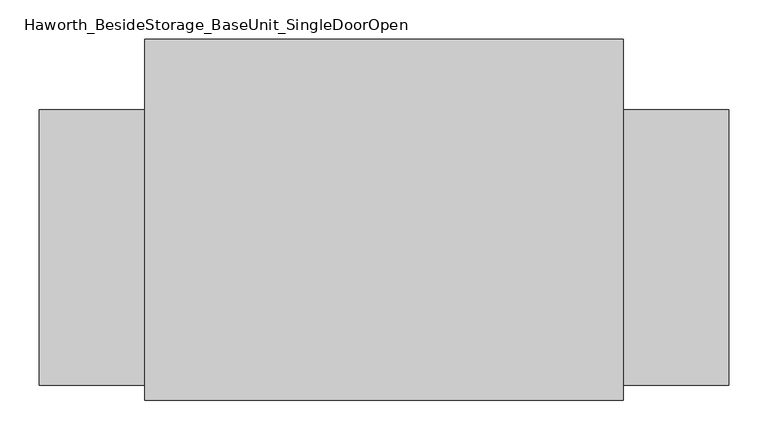
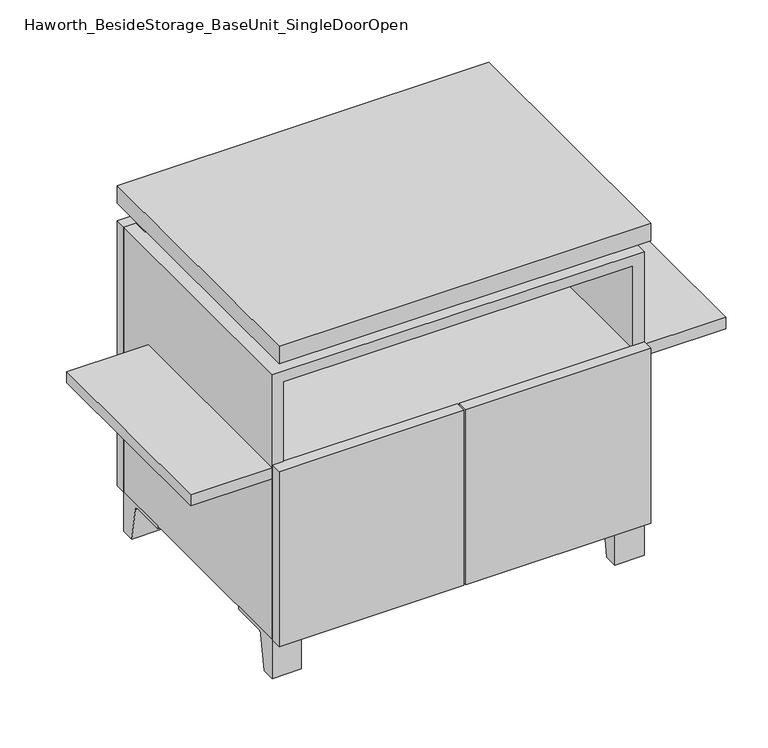
"""IFC4 building model written with IfcOpenShell, lengths in millimetres: furniture geometry, Haworth_BesideStorage_BaseUnit_SingleDoorOpen."""

from ifc_helpers import new_model, si_unit, point, frame, frame_2d, origin, place, context, project, spatial, polyline, circle_curve, trimmed, segment, composite_curve, outline, extrude, faceted_brep, source, transform, mapped, element, save


def haworth_besidestorage_baseunit_singledooropen_2ce5e8a2(model_context):
    return source(origin(), model_context, "Body", "SolidModel", [
        extrude(outline(composite_curve([segment(polyline([(-123.2958469, 0.0), (-146.05, 0.0), (-146.05, 66.675), (-50.8, 66.675), (-50.8, 61.8963321), (-107.6005345, 61.8963321)]), True, "CONTINUOUS"), segment(trimmed(circle_curve(frame_2d((-107.6005345, 55.5463321)), 6.35), [point((-107.6005345, 61.8963321))], [point((-113.8641359, 56.5902656))], True, "CARTESIAN"), True, "CONTINUOUS"), segment(polyline([(-113.8641359, 56.5902656), (-123.2958469, 0.0)]), True, "CONTINUOUS")], self_intersect=False)), frame((255.6013906, 0.0, 0.0), z_axis=(1.0, 0.0, 0.0), x_axis=(0.0, 1.0, 0.0)), (0.0, 0.0, 1.0), 47.625),
        extrude(outline(composite_curve([segment(polyline([(250.2958469, 0.0), (240.8641359, 56.5902656)]), True, "CONTINUOUS"), segment(trimmed(circle_curve(frame_2d((234.6005345, 55.5463321)), 6.35), [point((240.8641359, 56.5902656))], [point((234.6005345, 61.8963321))], True, "CARTESIAN"), True, "CONTINUOUS"), segment(polyline([(234.6005345, 61.8963321), (177.8, 61.8963321), (177.8, 66.675), (273.05, 66.675), (273.05, 0.0), (250.2958469, 0.0)]), True, "CONTINUOUS")], self_intersect=False)), frame((255.6013906, 0.0, 0.0), z_axis=(1.0, 0.0, 0.0), x_axis=(0.0, 1.0, 0.0)), (0.0, 0.0, 1.0), 47.625),
        extrude(outline(composite_curve([segment(polyline([(-123.2958469, 0.0), (-146.05, 0.0), (-146.05, 66.675), (-50.8, 66.675), (-50.8, 61.8963321), (-107.6005345, 61.8963321)]), True, "CONTINUOUS"), segment(trimmed(circle_curve(frame_2d((-107.6005345, 55.5463321)), 6.35), [point((-107.6005345, 61.8963321))], [point((-113.8641359, 56.5902656))], True, "CARTESIAN"), True, "CONTINUOUS"), segment(polyline([(-113.8641359, 56.5902656), (-123.2958469, 0.0)]), True, "CONTINUOUS")], self_intersect=False)), frame((-303.1986094, 0.0, 0.0), z_axis=(1.0, 0.0, 0.0), x_axis=(0.0, 1.0, 0.0)), (0.0, 0.0, 1.0), 47.625),
        extrude(outline(composite_curve([segment(polyline([(250.2958469, 0.0), (240.8641359, 56.5902656)]), True, "CONTINUOUS"), segment(trimmed(circle_curve(frame_2d((234.6005345, 55.5463321)), 6.35), [point((240.8641359, 56.5902656))], [point((234.6005345, 61.8963321))], True, "CARTESIAN"), True, "CONTINUOUS"), segment(polyline([(234.6005345, 61.8963321), (177.8, 61.8963321), (177.8, 66.675), (273.05, 66.675), (273.05, 0.0), (250.2958469, 0.0)]), True, "CONTINUOUS")], self_intersect=False)), frame((-303.1986094, 0.0, 0.0), z_axis=(1.0, 0.0, 0.0), x_axis=(0.0, 1.0, 0.0)), (0.0, 0.0, 1.0), 47.625),
        faceted_brep([(-303.1986094, -146.05, 66.675), (303.2125, -146.05, 66.675), (303.2125, -146.05, 523.875), (-303.1986094, -146.05, 523.875), (-284.1486094, -146.05, 85.725), (-284.1486094, -146.05, 504.825), (284.1694453, -146.05, 504.825), (284.1486094, -146.05, 85.725), (-303.1986094, 273.05, 66.675), (-303.1986094, 273.05, 523.875), (-284.1486094, 273.05, 523.875), (-284.1486094, 273.05, 85.725), (284.1486094, 273.05, 85.725), (284.1486094, 273.05, 523.875), (303.2125, 273.05, 523.875), (303.2125, 273.05, 66.675), (284.1486094, 247.65, 523.875), (-284.1416641, 247.65, 523.875), (-284.1486094, 247.65, 504.825), (284.1486094, 247.65, 504.825)], [[[0, 1, 2, 3], [4, 5, 6, 7]], [[8, 9, 10, 11, 12, 13, 14, 15]], [[1, 0, 8, 15]], [[2, 1, 15, 14]], [[3, 2, 14, 13, 16, 17, 10, 9]], [[0, 3, 9, 8]], [[11, 10, 17, 18, 5, 4]], [[13, 12, 7, 6, 19, 16]], [[4, 7, 12, 11]], [[6, 5, 18, 19]], [[17, 16, 19, 18]]]),
        extrude(outline(polyline([(303.2263906, -165.1), (-303.1986094, -165.1), (-303.1986094, 292.1), (303.2263906, 292.1), (303.2263906, -165.1)])), frame((0.0, 0.0, 554.0375), z_axis=(0.0, 0.0, 1.0), x_axis=(1.0, 0.0, 0.0)), (0.0, 0.0, 1.0), 30.1625),
        faceted_brep([(7.9513906, -69.85, 554.0375), (7.9513906, -69.85, 523.875), (7.9513906, 53.975, 523.875), (7.9513906, 53.975, 554.0375), (7.9513906, 196.85, 523.875), (7.9513906, 196.85, 554.0375), (7.9513906, 73.025, 554.0375), (7.9513906, 73.025, 523.875), (-7.9236094, 196.85, 554.0375), (-7.9236094, 196.85, 523.875), (-7.9236094, 73.025, 523.875), (-7.9236094, 73.025, 554.0375), (-7.9236094, -69.85, 523.875), (-7.9236094, -69.85, 554.0375), (-7.9236094, 53.975, 554.0375), (-7.9236094, 53.975, 523.875), (-261.8958281, 73.025, 554.0375), (-261.9166641, 247.65, 554.0375), (-277.7916641, 247.65, 554.0375), (-277.7916641, -120.65, 554.0375), (-261.9166641, -120.65, 554.0375), (-261.9166641, 53.975, 554.0375), (261.9236094, 53.975, 554.0375), (261.9236094, -120.65, 554.0375), (277.7986094, -120.65, 554.0375), (277.7986094, 247.65, 554.0375), (261.9236094, 247.65, 554.0375), (261.9236094, 73.025, 554.0375), (-261.8958281, 53.975, 523.875), (-261.9166641, -120.65, 523.875), (-277.7916641, -120.65, 523.875), (-277.7916641, 247.65, 523.875), (-261.9166641, 247.65, 523.875), (-261.9166641, 73.025, 523.875), (261.9236094, 73.025, 523.875), (261.9236094, 247.65, 523.875), (277.7986094, 247.65, 523.875), (277.7986094, -120.65, 523.875), (261.9236094, -120.65, 523.875), (261.9236094, 53.975, 523.875)], [[[0, 1, 2, 3]], [[4, 5, 6, 7]], [[8, 9, 10, 11]], [[12, 13, 14, 15]], [[5, 8, 11, 16, 17, 18, 19, 20, 21, 14, 13, 0, 3, 22, 23, 24, 25, 26, 27, 6]], [[1, 12, 15, 28, 29, 30, 31, 32, 33, 10, 9, 4, 7, 34, 35, 36, 37, 38, 39, 2]], [[5, 4, 9, 8]], [[1, 0, 13, 12]], [[6, 27, 34, 7]], [[22, 3, 2, 39]], [[20, 29, 28, 21]], [[32, 17, 16, 33]], [[18, 31, 30, 19]], [[29, 20, 19, 30]], [[17, 32, 31, 18]], [[26, 35, 34, 27]], [[38, 23, 22, 39]], [[25, 24, 37, 36]], [[23, 38, 37, 24]], [[35, 26, 25, 36]], [[16, 11, 10, 33]], [[14, 21, 28, 15]]]),
        extrude(outline(polyline([(303.2263906, 273.05), (-303.1986094, 273.05), (-303.1986094, 292.1), (303.2263906, 292.1), (303.2263906, 273.05)])), frame((0.0, 0.0, 66.675), z_axis=(0.0, 0.0, 1.0), x_axis=(1.0, 0.0, 0.0)), (0.0, 0.0, 1.0), 457.2),
        extrude(outline(polyline([(-284.1416641, 203.2), (-284.1416641, 209.55), (284.1694453, 209.55), (284.1694453, 203.2), (-284.1416641, 203.2)])), frame((0.0, 0.0, 85.725), z_axis=(0.0, 0.0, 1.0), x_axis=(1.0, 0.0, 0.0)), (0.0, 0.0, 1.0), 419.1),
        extrude(outline(polyline([(1.6013906, -165.1), (1.6013906, -146.05), (303.2263906, -146.05), (303.2263906, -165.1), (1.6013906, -165.1)])), frame((0.0, 0.0, 66.675), z_axis=(0.0, 0.0, 1.0), x_axis=(1.0, 0.0, 0.0)), (0.0, 0.0, 1.0), 301.625),
        extrude(outline(polyline([(-1.5736094, -165.1), (-303.1986094, -165.1), (-303.1986094, -146.05), (-1.5736094, -146.05), (-1.5736094, -165.1)])), frame((0.0, 0.0, 66.675), z_axis=(0.0, 0.0, 1.0), x_axis=(1.0, 0.0, 0.0)), (0.0, 0.0, 1.0), 301.625),
        extrude(outline(polyline([(436.5486094, 203.2), (436.5486094, -146.05), (-436.5486094, -146.05), (-436.5486094, 203.2), (436.5486094, 203.2)])), frame((0.0, 0.0, 344.4875), z_axis=(0.0, 0.0, 1.0), x_axis=(1.0, 0.0, 0.0)), (0.0, 0.0, 1.0), 19.05),
    ])


if __name__ == "__main__":
    model = new_model("IFC4")
    model_context = context("Model", 3, world=origin())
    ifc_project = project(units=[si_unit("LENGTHUNIT", "METRE", prefix="MILLI")], contexts=[model_context])
    site = spatial("IfcSite", under=ifc_project)
    building = spatial("IfcBuilding", under=site)
    placement = place(None, origin())
    haworth_besidestorage_baseunit_singledooropen_shape = haworth_besidestorage_baseunit_singledooropen_2ce5e8a2(model_context)
    element("IfcFurniture", 1, ObjectType="Haworth_BesideStorage_BaseUnit_SingleDoorOpen", at=placement, inside=building, context=model_context, shape_type="MappedRepresentation", body=[
        mapped(haworth_besidestorage_baseunit_singledooropen_shape, transform((0.0, 0.0, 0.0), x_axis=(1.0, 0.0, 0.0), y_axis=(0.0, 1.0, 0.0), z_axis=(0.0, 0.0, 1.0))),
    ])
    save(model, "model.ifc")
